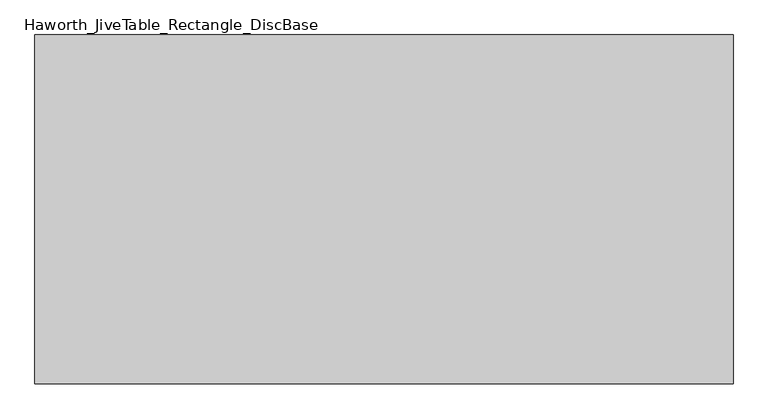
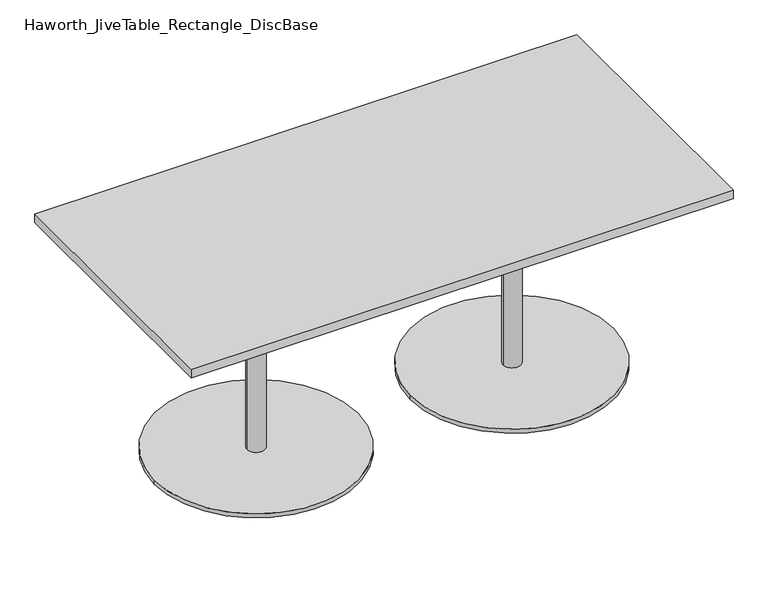
"""IFC4 building model written with IfcOpenShell, lengths in millimetres: furniture geometry, Haworth_JiveTable_Rectangle_DiscBase."""

from ifc_helpers import new_model, si_unit, point, frame, frame_2d, origin, origin_with_axes, place, context, project, spatial, polyline, circle_curve, trimmed, segment, composite_curve, outline, extrude, source, transform, mapped, element, save


def haworth_jivetable_rectangle_discbase_baef8587(model_context):
    return source(origin(), model_context, "Body", "SweptSolid", [
        extrude(outline(composite_curve([segment(trimmed(circle_curve(frame_2d((-431.8, 0.0)), 29.9972969), [point((-461.7972969, 0.0))], [point((-401.8027031, 0.0))], False, "CARTESIAN"), True, "CONTINUOUS"), segment(trimmed(circle_curve(frame_2d((-431.8, 0.0)), 29.9972969), [point((-401.8027031, 0.0))], [point((-461.7972969, 0.0))], False, "CARTESIAN"), True, "CONTINUOUS")], self_intersect=False)), frame((0.0, 0.0, 14.3509999), z_axis=(0.0, 0.0, 1.0), x_axis=(1.0, 0.0, 0.0)), (0.0, 0.0, 1.0), 688.6574942),
        extrude(outline(composite_curve([segment(trimmed(circle_curve(frame_2d((-431.8, 0.0)), 342.9), [point((-774.7, 0.0))], [point((-88.9, 0.0))], False, "CARTESIAN"), True, "CONTINUOUS"), segment(trimmed(circle_curve(frame_2d((-431.8, 0.0)), 342.9), [point((-88.9, 0.0))], [point((-774.7, 0.0))], False, "CARTESIAN"), True, "CONTINUOUS")], self_intersect=False)), origin_with_axes(), (0.0, 0.0, 1.0), 14.3509999),
        extrude(outline(composite_curve([segment(trimmed(circle_curve(frame_2d((431.8, 0.0)), 29.9972969), [point((401.8027031, 0.0))], [point((461.7972969, 0.0))], False, "CARTESIAN"), True, "CONTINUOUS"), segment(trimmed(circle_curve(frame_2d((431.8, 0.0)), 29.9972969), [point((461.7972969, 0.0))], [point((401.8027031, 0.0))], False, "CARTESIAN"), True, "CONTINUOUS")], self_intersect=False)), frame((0.0, 0.0, 14.3509999), z_axis=(0.0, 0.0, 1.0), x_axis=(1.0, 0.0, 0.0)), (0.0, 0.0, 1.0), 688.6574942),
        extrude(outline(composite_curve([segment(trimmed(circle_curve(frame_2d((431.8, 0.0)), 342.9), [point((88.9, 0.0))], [point((774.7, 0.0))], False, "CARTESIAN"), True, "CONTINUOUS"), segment(trimmed(circle_curve(frame_2d((431.8, 0.0)), 342.9), [point((774.7, 0.0))], [point((88.9, 0.0))], False, "CARTESIAN"), True, "CONTINUOUS")], self_intersect=False)), origin_with_axes(), (0.0, 0.0, 1.0), 14.3509999),
        extrude(outline(polyline([(-431.8, 215.5237554), (-216.2757897, 0.0), (-431.8, -215.5237554), (-647.3240587, 0.0), (-431.8, 215.5237554)])), frame((0.0, 0.0, 703.0084942), z_axis=(0.0, 0.0, 1.0), x_axis=(1.0, 0.0, 0.0)), (0.0, 0.0, 1.0), 3.4290058),
        extrude(outline(polyline([(431.8, 215.5237554), (647.3242103, 0.0), (431.8, -215.5237554), (216.2759413, 0.0), (431.8, 215.5237554)])), frame((0.0, 0.0, 703.0084942), z_axis=(0.0, 0.0, 1.0), x_axis=(1.0, 0.0, 0.0)), (0.0, 0.0, 1.0), 3.4290058),
        extrude(outline(polyline([(914.4, 457.2), (914.4, -457.2), (-914.4, -457.2), (-914.4, 457.2), (914.4, 457.2)])), frame((0.0, 0.0, 706.4375), z_axis=(0.0, 0.0, 1.0), x_axis=(1.0, 0.0, 0.0)), (0.0, 0.0, 1.0), 30.1625),
    ])


if __name__ == "__main__":
    model = new_model("IFC4")
    model_context = context("Model", 3, world=origin())
    ifc_project = project(units=[si_unit("LENGTHUNIT", "METRE", prefix="MILLI")], contexts=[model_context])
    site = spatial("IfcSite", under=ifc_project)
    building = spatial("IfcBuilding", under=site)
    placement = place(None, origin())
    haworth_jivetable_rectangle_discbase_shape = haworth_jivetable_rectangle_discbase_baef8587(model_context)
    element("IfcFurniture", 1, ObjectType="Haworth_JiveTable_Rectangle_DiscBase", at=placement, inside=building, context=model_context, shape_type="MappedRepresentation", body=[
        mapped(haworth_jivetable_rectangle_discbase_shape, transform((0.0, 0.0, 0.0), x_axis=(1.0, 0.0, 0.0), y_axis=(0.0, 1.0, 0.0), z_axis=(0.0, 0.0, 1.0))),
    ])
    save(model, "model.ifc")
